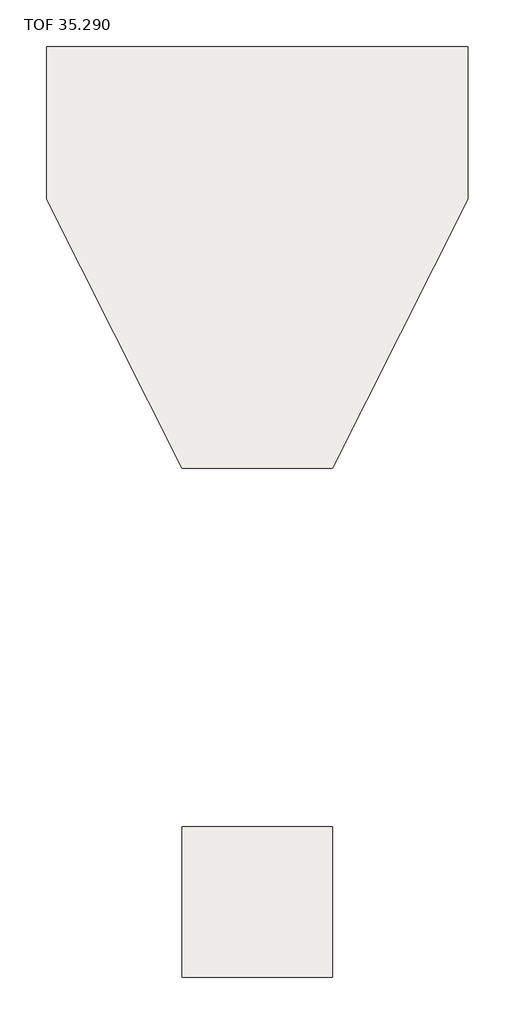
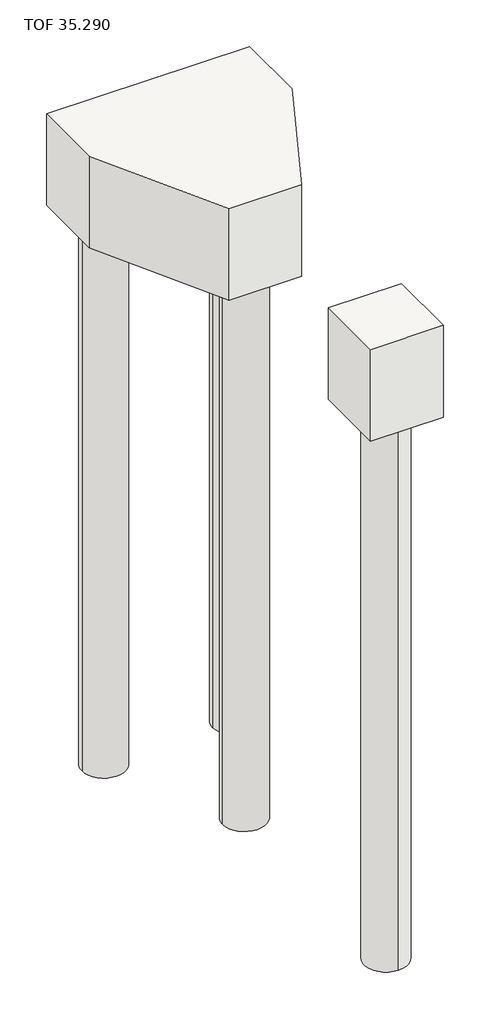
# One storey: 6 slabs.
"""IFC4 building model written with IfcOpenShell, lengths in millimetres."""

from ifc_helpers import new_model, si_unit, point, frame, frame_2d, origin, place, context, project, spatial, polyline, circle_curve, trimmed, segment, composite_curve, outline, extrude, element, save
from ifc_brep_helpers import plane_surface, cylinder_surface, revolved_surface, advanced_brep

model = new_model("IFC4")

# Units and contexts
model_context = context("Model", 3, world=origin())
ifc_project = project(units=[si_unit("LENGTHUNIT", "METRE", prefix="MILLI")], contexts=[model_context])

# Site, building, storey
site = spatial("IfcSite", under=ifc_project)
building = spatial("IfcBuilding", under=site)
storey = spatial("IfcBuildingStorey", under=building, Name="TOF 35.290", Elevation=35290.0)

# Slabs
placement = place(None, origin())
element("IfcSlab", 1, ObjectType="Pile Cap-1 Pile : 750x750x1000mm DEEP PILE CAP", at=placement, inside=storey, context=model_context, shape_type="SweptSolid", body=[
    extrude(outline(polyline([(-260704.25, 451905.4239576), (-259954.25, 451905.4239576), (-259954.25, 451155.4239576), (-260704.25, 451155.4239576), (-260704.25, 451905.4239576)])), frame((0.0, 0.0, 34290.0), z_axis=(0.0, 0.0, 1.0), x_axis=(1.0, 0.0, 0.0)), (0.0, 0.0, 1.0), 1000.0),
])
element("IfcSlab", 2, ObjectType="Pile Cap-3 Round Pile : 2100x2100x1000mm DEEP PILE CAP", at=placement, inside=storey, context=model_context, shape_type="AdvancedBrep", body=[
    advanced_brep(
    [(-260104.25, 454063.5444815, 34365.0), (-260554.25, 454063.5444815, 34365.0), (-260554.25, 454063.5444815, 34290.0), (-260104.25, 454063.5444815, 34290.0), (-260779.25, 455413.5444815, 34365.0), (-261229.25, 455413.5444815, 34365.0), (-261229.25, 455413.5444815, 34290.0), (-260779.25, 455413.5444815, 34290.0), (-260704.25, 453688.5444815, 35290.0), (-259954.25, 453688.5444815, 35290.0), (-259279.25, 455028.5444815, 35290.0), (-259279.25, 455788.5444815, 35290.0), (-261379.25, 455788.5444815, 35290.0), (-261379.25, 455028.5444815, 35290.0), (-259279.25, 455788.5444815, 34290.0), (-261379.25, 455788.5444815, 34290.0), (-261379.25, 455028.5444815, 34290.0), (-260704.25, 453688.5444815, 34290.0), (-259954.25, 453688.5444815, 34290.0), (-259279.25, 455028.5444815, 34290.0), (-259429.25, 455413.5444815, 34365.0), (-259879.25, 455413.5444815, 34365.0), (-259879.25, 455413.5444815, 34290.0), (-259429.25, 455413.5444815, 34290.0)],
    [
        (0, 1, circle_curve(frame((-260329.25, 454063.5444815, 34365.0), z_axis=(0.0, 0.0, 1.0), x_axis=(-1.0000000000000007, 0.0, 0.0)), 225.0)),
        (1, 2),
        (2, 3, circle_curve(frame((-260329.25, 454063.5444815, 34290.0), z_axis=(0.0, 0.0, -1.0), x_axis=(-1.0000000000000007, 0.0, 0.0)), 225.0)),
        (3, 0),
        (1, 0, circle_curve(frame((-260329.25, 454063.5444815, 34365.0), z_axis=(0.0, 0.0, 1.0), x_axis=(-1.0000000000000007, 0.0, 0.0)), 225.0)),
        (3, 2, circle_curve(frame((-260329.25, 454063.5444815, 34290.0), z_axis=(0.0, 0.0, -1.0), x_axis=(-1.0000000000000007, 0.0, 0.0)), 225.0)),
        (4, 5, circle_curve(frame((-261004.25, 455413.5444815, 34365.0), z_axis=(0.0, 0.0, 1.0), x_axis=(-1.0000000000000007, 0.0, 0.0)), 225.0)),
        (5, 6),
        (6, 7, circle_curve(frame((-261004.25, 455413.5444815, 34290.0), z_axis=(0.0, 0.0, -1.0), x_axis=(-1.0000000000000007, 0.0, 0.0)), 225.0)),
        (7, 4),
        (8, 9),
        (9, 10),
        (10, 11),
        (11, 12),
        (12, 13),
        (13, 8),
        (11, 14),
        (14, 15),
        (15, 12),
        (13, 16),
        (16, 17),
        (17, 8),
        (9, 18),
        (18, 19),
        (19, 10),
        (19, 14),
        (20, 21, circle_curve(frame((-259654.25, 455413.5444815, 34365.0), z_axis=(0.0, 0.0, 1.0), x_axis=(-1.0000000000000007, 0.0, 0.0)), 225.0)),
        (21, 22),
        (22, 23, circle_curve(frame((-259654.25, 455413.5444815, 34290.0), z_axis=(0.0, 0.0, -1.0), x_axis=(-1.0000000000000007, 0.0, 0.0)), 225.0)),
        (23, 20),
        (21, 20, circle_curve(frame((-259654.25, 455413.5444815, 34365.0), z_axis=(0.0, 0.0, 1.0), x_axis=(-1.0000000000000007, 0.0, 0.0)), 225.0)),
        (23, 22, circle_curve(frame((-259654.25, 455413.5444815, 34290.0), z_axis=(0.0, 0.0, -1.0), x_axis=(-1.0000000000000007, 0.0, 0.0)), 225.0)),
        (5, 4, circle_curve(frame((-261004.25, 455413.5444815, 34365.0), z_axis=(0.0, 0.0, 1.0), x_axis=(-1.0000000000000007, 0.0, 0.0)), 225.0)),
        (7, 6, circle_curve(frame((-261004.25, 455413.5444815, 34290.0), z_axis=(0.0, 0.0, -1.0), x_axis=(-1.0000000000000007, 0.0, 0.0)), 225.0)),
        (16, 15),
        (18, 17),
    ],
    [
        revolved_surface(polyline([(-260554.25, 454063.5444815, 34365.0), (-260554.25, 454063.5444815, 34290.0)]), (-260329.25, 454063.5444815, 34290.0), (0.0, 0.0, 1.0)),
        revolved_surface(polyline([(-261229.25, 455413.5444815, 34365.0), (-261229.25, 455413.5444815, 34290.0)]), (-261004.25, 455413.5444815, 35290.0), (0.0, 0.0, 1.0)),
        plane_surface(frame((-259954.25, 453688.5444815, 35290.0), z_axis=(0.0, 0.0, 1.0), x_axis=(1.0, 0.0, 0.0))),
        plane_surface(frame((-259279.25, 455788.5444815, 35290.0), z_axis=(0.0, 1.0, 0.0), x_axis=(0.0, 0.0, -1.0))),
        plane_surface(frame((-261379.25, 455028.5444815, 35290.0), z_axis=(-0.8930902474037312, -0.44987754999815466, 0.0), x_axis=(0.0, 0.0, -1.0))),
        plane_surface(frame((-259954.25, 453688.5444815, 35290.0), z_axis=(0.8930902474037371, -0.44987754999814306, 0.0), x_axis=(0.0, 0.0, -1.0))),
        plane_surface(frame((-259279.25, 455028.5444815, 35290.0), z_axis=(1.0, 0.0, 0.0), x_axis=(0.0, 0.0, -1.0))),
        revolved_surface(polyline([(-259879.25, 455413.5444815, 34365.0), (-259879.25, 455413.5444815, 34290.0)]), (-259654.25, 455413.5444815, 35290.0), (0.0, 0.0, 1.0)),
        plane_surface(frame((-259954.25, 453688.5444815, 34290.0), z_axis=(0.0, 0.0, -1.0), x_axis=(-1.0, 0.0, 0.0))),
        plane_surface(frame((-260704.25, 453688.5444815, 35290.0), z_axis=(0.0, -1.0, 0.0), x_axis=(0.0, 0.0, -1.0))),
        plane_surface(frame((-261379.25, 455788.5444815, 35290.0), z_axis=(-1.0, 0.0, 0.0), x_axis=(0.0, 0.0, -1.0))),
        plane_surface(frame((-260554.25, 454063.5444815, 34365.0), z_axis=(0.0, 0.0, -1.0), x_axis=(0.0, -1.0, 0.0))),
    ],
    [
        (0, [[1, 2, 3, 4]]),
        (0, [[5, -4, 6, -2]]),
        (1, [[7, 8, 9, 10]]),
        (2, [[11, 12, 13, 14, 15, 16]]),
        (3, [[-14, 17, 18, 19]]),
        (4, [[-16, 20, 21, 22]]),
        (5, [[-12, 23, 24, 25]]),
        (6, [[-13, -25, 26, -17]]),
        (7, [[27, 28, 29, 30]]),
        (7, [[31, -30, 32, -28]]),
        (1, [[33, -10, 34, -8]]),
        (8, [[-21, 35, -18, -26, -24, 36], [-29, -32], [-9, -34], [-3, -6]]),
        (9, [[-11, -22, -36, -23]]),
        (10, [[-15, -19, -35, -20]]),
        (11, [[-5, -1]]),
        (11, [[-31, -27]]),
        (11, [[-33, -7]]),
    ],
),
])
element("IfcSlab", 3, ObjectType="Pile-Steel Pipe : 450mm Diameter", at=placement, inside=storey, context=model_context, shape_type="SweptSolid", body=[
    extrude(outline(composite_curve([segment(trimmed(circle_curve(frame_2d((-260329.25, 451530.4239576)), 225.0), [point((-260329.25, 451305.4239576))], [point((-260329.25, 451755.4239576))], False, "CARTESIAN"), True, "CONTINUOUS"), segment(trimmed(circle_curve(frame_2d((-260329.25, 451530.4239576)), 225.0), [point((-260329.25, 451755.4239576))], [point((-260329.25, 451305.4239576))], False, "CARTESIAN"), True, "CONTINUOUS")], self_intersect=False)), frame((0.0, 0.0, 28290.0), z_axis=(0.0, 0.0, 1.0), x_axis=(1.0, 0.0, 0.0)), (0.0, 0.0, 1.0), 6000.0),
])
element("IfcSlab", 4, ObjectType="Pile-Steel Pipe : 450mm Diameter", at=placement, inside=storey, context=model_context, shape_type="AdvancedBrep", body=[
    advanced_brep(
    [(-260104.25, 454063.5444815, 34365.0), (-260554.25, 454063.5444815, 34365.0), (-260104.25, 454063.5444815, 28290.0), (-260554.25, 454063.5444815, 28290.0), (-260104.25, 454063.5444815, 34290.0), (-260554.25, 454063.5444815, 34290.0)],
    [
        (0, 1, circle_curve(frame((-260329.25, 454063.5444815, 34365.0), z_axis=(0.0, 0.0, 1.0), x_axis=(-1.0000000000000007, 0.0, 0.0)), 225.0)),
        (1, 0, circle_curve(frame((-260329.25, 454063.5444815, 34365.0), z_axis=(0.0, 0.0, 1.0), x_axis=(-1.0000000000000007, 0.0, 0.0)), 225.0)),
        (2, 3, circle_curve(frame((-260329.25, 454063.5444815, 28290.0), z_axis=(0.0, 0.0, -1.0), x_axis=(-1.0000000000000007, 0.0, 0.0)), 225.0)),
        (3, 2, circle_curve(frame((-260329.25, 454063.5444815, 28290.0), z_axis=(0.0, 0.0, -1.0), x_axis=(-1.0000000000000007, 0.0, 0.0)), 225.0)),
        (0, 4),
        (4, 2),
        (3, 5),
        (5, 1),
    ],
    [
        plane_surface(frame((-260554.25, 454063.5444815, 34365.0), z_axis=(0.0, 0.0, 1.0), x_axis=(0.0, -1.0, 0.0))),
        plane_surface(frame((-260554.25, 454063.5444815, 28290.0), z_axis=(0.0, 0.0, -1.0), x_axis=(0.0, 1.0, 0.0))),
        cylinder_surface(frame((-260329.25, 454063.5444815, 28290.0), z_axis=(0.0, 0.0, 1.0), x_axis=(-1.0000000000000007, 0.0, 0.0)), 225.0),
    ],
    [
        (0, [[1, 2]]),
        (1, [[3, 4]]),
        (2, [[-1, 5, 6, -4, 7, 8]]),
        (2, [[-2, -8, -7, -3, -6, -5]]),
    ],
),
])
element("IfcSlab", 5, ObjectType="Pile-Steel Pipe : 450mm Diameter", at=placement, inside=storey, context=model_context, shape_type="AdvancedBrep", body=[
    advanced_brep(
    [(-259429.25, 455413.5444815, 34365.0), (-259879.25, 455413.5444815, 34365.0), (-259429.25, 455413.5444815, 28290.0), (-259879.25, 455413.5444815, 28290.0), (-259429.25, 455413.5444815, 34290.0), (-259879.25, 455413.5444815, 34290.0)],
    [
        (0, 1, circle_curve(frame((-259654.25, 455413.5444815, 34365.0), z_axis=(0.0, 0.0, 1.0), x_axis=(-1.0000000000000007, 0.0, 0.0)), 225.0)),
        (1, 0, circle_curve(frame((-259654.25, 455413.5444815, 34365.0), z_axis=(0.0, 0.0, 1.0), x_axis=(-1.0000000000000007, 0.0, 0.0)), 225.0)),
        (2, 3, circle_curve(frame((-259654.25, 455413.5444815, 28290.0), z_axis=(0.0, 0.0, -1.0), x_axis=(-1.0000000000000007, 0.0, 0.0)), 225.0)),
        (3, 2, circle_curve(frame((-259654.25, 455413.5444815, 28290.0), z_axis=(0.0, 0.0, -1.0), x_axis=(-1.0000000000000007, 0.0, 0.0)), 225.0)),
        (0, 4),
        (4, 2),
        (3, 5),
        (5, 1),
    ],
    [
        plane_surface(frame((-259879.25, 455413.5444815, 34365.0), z_axis=(0.0, 0.0, 1.0), x_axis=(0.0, -1.0, 0.0))),
        plane_surface(frame((-259879.25, 455413.5444815, 28290.0), z_axis=(0.0, 0.0, -1.0), x_axis=(0.0, 1.0, 0.0))),
        cylinder_surface(frame((-259654.25, 455413.5444815, 28290.0), z_axis=(0.0, 0.0, 1.0), x_axis=(-1.0000000000000007, 0.0, 0.0)), 225.0),
    ],
    [
        (0, [[1, 2]]),
        (1, [[3, 4]]),
        (2, [[-1, 5, 6, -4, 7, 8]]),
        (2, [[-2, -8, -7, -3, -6, -5]]),
    ],
),
])
element("IfcSlab", 6, ObjectType="Pile-Steel Pipe : 450mm Diameter", at=placement, inside=storey, context=model_context, shape_type="AdvancedBrep", body=[
    advanced_brep(
    [(-260779.25, 455413.5444815, 34365.0), (-261229.25, 455413.5444815, 34365.0), (-260779.25, 455413.5444815, 28290.0), (-261229.25, 455413.5444815, 28290.0), (-260779.25, 455413.5444815, 34290.0), (-261229.25, 455413.5444815, 34290.0)],
    [
        (0, 1, circle_curve(frame((-261004.25, 455413.5444815, 34365.0), z_axis=(0.0, 0.0, 1.0), x_axis=(-1.0000000000000007, 0.0, 0.0)), 225.0)),
        (1, 0, circle_curve(frame((-261004.25, 455413.5444815, 34365.0), z_axis=(0.0, 0.0, 1.0), x_axis=(-1.0000000000000007, 0.0, 0.0)), 225.0)),
        (2, 3, circle_curve(frame((-261004.25, 455413.5444815, 28290.0), z_axis=(0.0, 0.0, -1.0), x_axis=(-1.0000000000000007, 0.0, 0.0)), 225.0)),
        (3, 2, circle_curve(frame((-261004.25, 455413.5444815, 28290.0), z_axis=(0.0, 0.0, -1.0), x_axis=(-1.0000000000000007, 0.0, 0.0)), 225.0)),
        (0, 4),
        (4, 2),
        (3, 5),
        (5, 1),
    ],
    [
        plane_surface(frame((-261229.25, 455413.5444815, 34365.0), z_axis=(0.0, 0.0, 1.0), x_axis=(0.0, -1.0, 0.0))),
        plane_surface(frame((-261229.25, 455413.5444815, 28290.0), z_axis=(0.0, 0.0, -1.0), x_axis=(0.0, 1.0, 0.0))),
        cylinder_surface(frame((-261004.25, 455413.5444815, 28290.0), z_axis=(0.0, 0.0, 1.0), x_axis=(-1.0000000000000007, 0.0, 0.0)), 225.0),
    ],
    [
        (0, [[1, 2]]),
        (1, [[3, 4]]),
        (2, [[-1, 5, 6, -4, 7, 8]]),
        (2, [[-2, -8, -7, -3, -6, -5]]),
    ],
),
])

save(model, "model.ifc")
